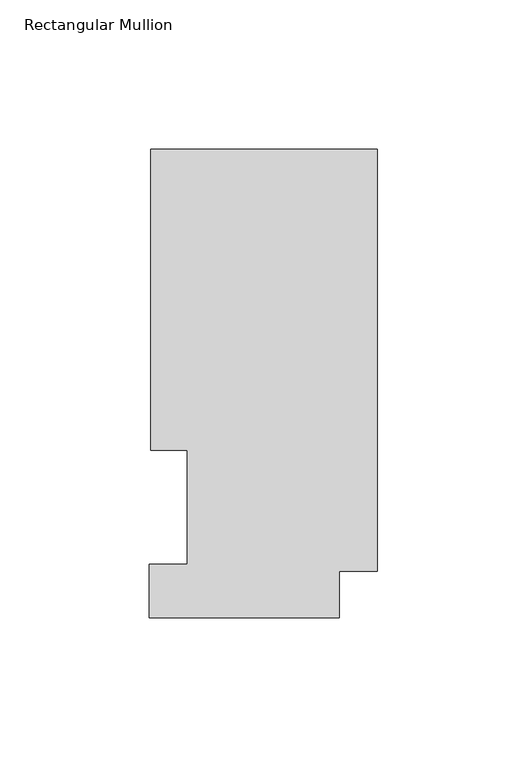
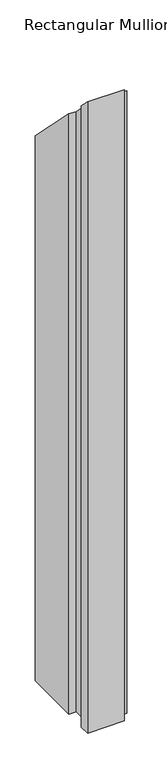
"""IFC4 building model written with IfcOpenShell, lengths in millimetres: member geometry, Rectangular Mullion."""

from ifc_helpers import new_model, si_unit, origin, place, context, project, spatial, faceted_brep, source, transform, mapped, element, save


def rectangular_mullion_57b5d99b(model_context):
    return source(origin(), model_context, "Body", "Brep", [
        faceted_brep([(-75.7936, 157.3395063, -1148.765117), (0.0, 157.3395063, -1148.765117), (0.0, 16.1663063, -1148.765117), (-12.7, 16.1663063, -1148.765117), (-12.7, 0.5199063, -1148.765117), (-76.2, 0.5199063, -1148.765117), (-76.2, 18.5539063, -1148.765117), (-63.5, 18.5539063, -1148.765117), (-63.5, 56.6539063, -1148.765117), (-75.7936, 56.6539063, -1148.765117), (-75.7936, 56.6539063, -56.6539063), (-75.7936, 157.3395063, -157.3395063), (-63.5, 56.6539063, -56.6539063), (-63.5, 18.5539063, -18.5539063), (-76.2, 18.5539063, -18.5539063), (-76.2, 0.5199063, -0.5199063), (-12.7, 0.5199063, -0.5199063), (-12.7, 16.1663063, -16.1663063), (0.0, 16.1663063, -16.1663063), (0.0, 157.3395063, -157.3395063)], [[[0, 1, 2, 3, 4, 5, 6, 7, 8, 9]], [[10, 11, 0, 9]], [[12, 10, 9, 8]], [[13, 12, 8, 7]], [[14, 13, 7, 6]], [[15, 14, 6, 5]], [[16, 15, 5, 4]], [[17, 16, 4, 3]], [[18, 17, 3, 2]], [[19, 18, 2, 1]], [[11, 19, 1, 0]], [[11, 10, 12, 13, 14, 15, 16, 17, 18, 19]]]),
    ])


if __name__ == "__main__":
    model = new_model("IFC4")
    model_context = context("Model", 3, world=origin())
    ifc_project = project(units=[si_unit("LENGTHUNIT", "METRE", prefix="MILLI")], contexts=[model_context])
    site = spatial("IfcSite", under=ifc_project)
    building = spatial("IfcBuilding", under=site)
    placement = place(None, origin())
    rectangular_mullion_shape = rectangular_mullion_57b5d99b(model_context)
    element("IfcMember", 1, ObjectType="Rectangular Mullion", at=placement, inside=building, context=model_context, shape_type="MappedRepresentation", body=[
        mapped(rectangular_mullion_shape, transform((0.0, 0.0, 0.0), x_axis=(1.0, 0.0, 0.0), y_axis=(0.0, 1.0, 0.0), z_axis=(0.0, 0.0, 1.0))),
    ])
    save(model, "model.ifc")
